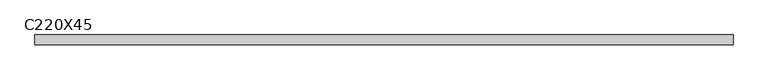
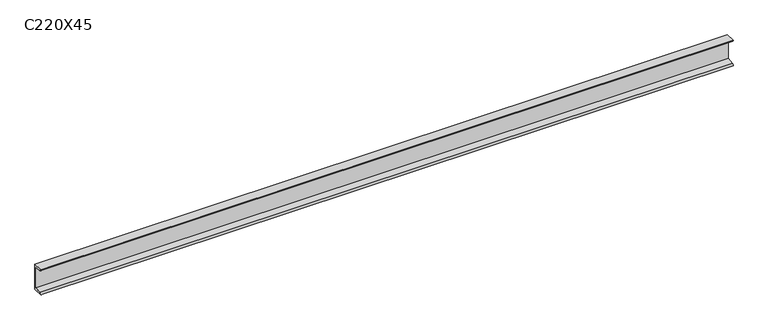
"""IFC4 building model written with IfcOpenShell, lengths in millimetres: beam geometry, C220X45."""

from ifc_helpers import new_model, si_unit, point, frame, frame_2d, origin, place, context, project, spatial, polyline, circle_curve, trimmed, segment, composite_curve, outline, extrude, source, transform, mapped, element, save


def c220x45_7603960a(model_context):
    return source(origin(), model_context, "Body", "SweptSolid", [
        extrude(outline(composite_curve([segment(polyline([(17.0, 110.0), (17.0, -110.0), (-64.0, -110.0)]), True, "CONTINUOUS"), segment(trimmed(circle_curve(frame_2d((-51.0, -110.0)), 13.0), [point((-64.0, -110.0))], [point((-51.0, -97.0))], False, "CARTESIAN"), True, "CONTINUOUS"), segment(polyline([(-51.0, -97.0), (4.0, -88.2888558), (4.0, 88.2888558), (-51.0, 97.0)]), True, "CONTINUOUS"), segment(trimmed(circle_curve(frame_2d((-51.0, 110.0)), 13.0), [point((-51.0, 97.0))], [point((-64.0, 110.0))], False, "CARTESIAN"), True, "CONTINUOUS"), segment(polyline([(-64.0, 110.0), (17.0, 110.0)]), True, "CONTINUOUS")], self_intersect=False)), frame((-2880.5, 0.0, 0.0), z_axis=(1.0, 0.0, 0.0), x_axis=(0.0, 1.0, 0.0)), (0.0, 0.0, 1.0), 5761.0),
    ])


if __name__ == "__main__":
    model = new_model("IFC4")
    model_context = context("Model", 3, world=origin())
    ifc_project = project(units=[si_unit("LENGTHUNIT", "METRE", prefix="MILLI")], contexts=[model_context])
    site = spatial("IfcSite", under=ifc_project)
    building = spatial("IfcBuilding", under=site)
    placement = place(None, origin())
    c220x45_shape = c220x45_7603960a(model_context)
    element("IfcBeam", 1, ObjectType="C220X45", at=placement, inside=building, context=model_context, shape_type="MappedRepresentation", body=[
        mapped(c220x45_shape, transform((0.0, 0.0, 0.0), x_axis=(1.0, 0.0, 0.0), y_axis=(0.0, 1.0, 0.0), z_axis=(0.0, 0.0, 1.0))),
    ])
    save(model, "model.ifc")
